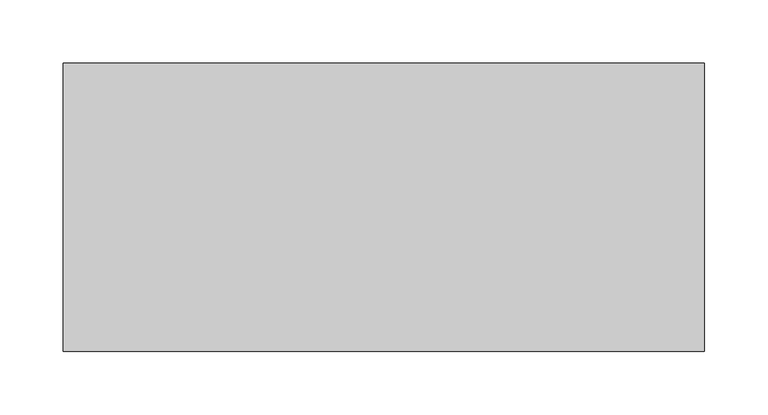
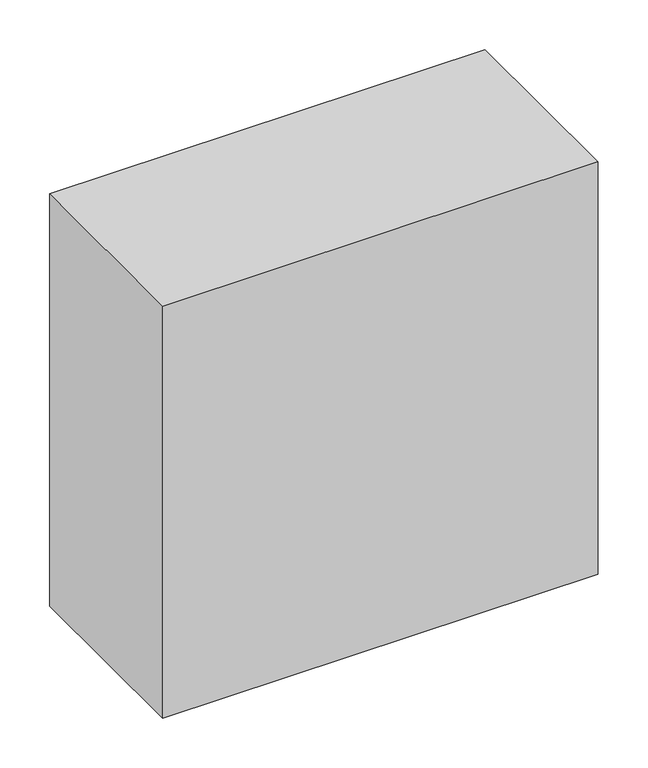
"""IFC4 building model written with IfcOpenShell, lengths in millimetres: proxy geometry."""

from ifc_helpers import new_model, si_unit, frame, origin, place, context, project, spatial, polyline, outline, extrude, source, transform, mapped, element, save


def specialty_equipment_8586031b(model_context):
    return source(origin(), model_context, "Body", "SweptSolid", [
        extrude(outline(polyline([(-1757.8839887, -425.5669439), (-1249.8827187, -425.5669439), (-1249.8827187, -654.1669439), (-1757.8839887, -654.1669439), (-1757.8839887, -425.5669439)])), frame((0.0, 0.0, 1270.0), z_axis=(0.0, 0.0, 1.0), x_axis=(1.0, 0.0, 0.0)), (0.0, 0.0, 1.0), 508.0),
    ])


if __name__ == "__main__":
    model = new_model("IFC4")
    model_context = context("Model", 3, world=origin())
    ifc_project = project(units=[si_unit("LENGTHUNIT", "METRE", prefix="MILLI")], contexts=[model_context])
    site = spatial("IfcSite", under=ifc_project)
    building = spatial("IfcBuilding", under=site)
    placement = place(None, origin())
    specialty_equipment_shape = specialty_equipment_8586031b(model_context)
    element("IfcBuildingElementProxy", 1, Name="Specialty Equipment", at=placement, inside=building, context=model_context, shape_type="MappedRepresentation", body=[
        mapped(specialty_equipment_shape, transform((0.0, 0.0, 0.0), x_axis=(1.0, 0.0, 0.0), y_axis=(0.0, 1.0, 0.0), z_axis=(0.0, 0.0, 1.0))),
    ])
    save(model, "model.ifc")
